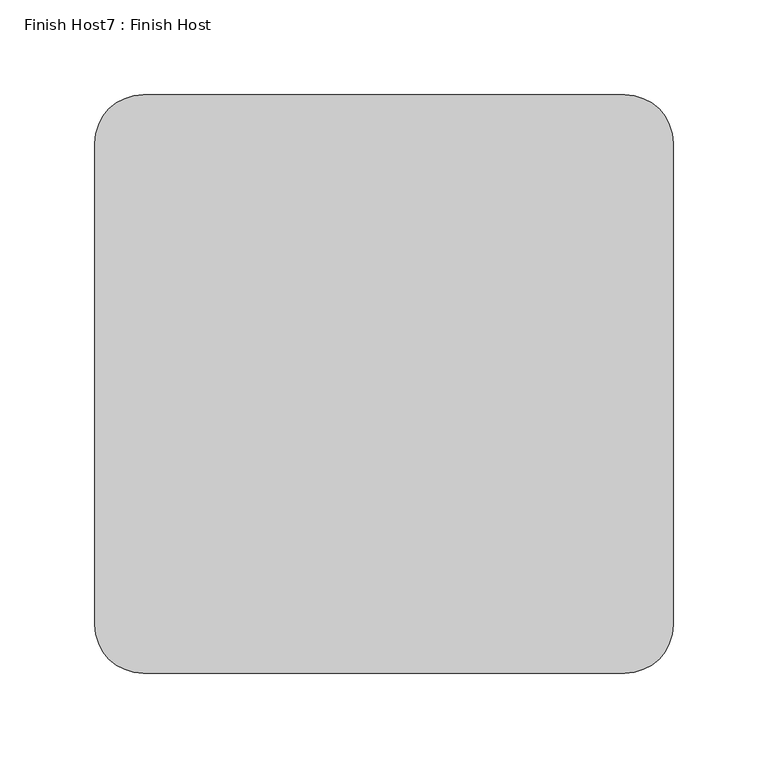
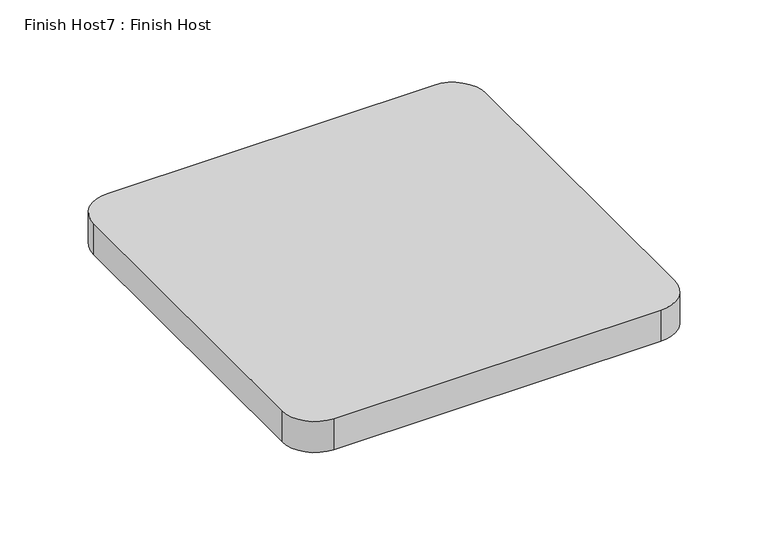
"""IFC4 building model written with IfcOpenShell, lengths in millimetres: proxy geometry, Finish Host7 : Finish Host."""

from ifc_helpers import new_model, si_unit, point, frame_2d, origin, origin_with_axes, place, context, project, spatial, polyline, circle_curve, trimmed, segment, composite_curve, outline, extrude, source, transform, mapped, element, save


def finish_host7_finish_host_0db96256(model_context):
    return source(origin(), model_context, "Body", "SweptSolid", [
        extrude(outline(composite_curve([segment(polyline([(2715.0934426, 3188.0122951), (2715.0934426, 3442.0122951)]), True, "CONTINUOUS"), segment(trimmed(circle_curve(frame_2d((2740.4934426, 3442.0122951)), 25.4), [point((2715.0934426, 3442.0122951))], [point((2740.4934426, 3467.4122951))], False, "CARTESIAN"), True, "CONTINUOUS"), segment(polyline([(2740.4934426, 3467.4122951), (2994.4934426, 3467.4122951)]), True, "CONTINUOUS"), segment(trimmed(circle_curve(frame_2d((2994.4934426, 3442.0122951)), 25.4), [point((2994.4934426, 3467.4122951))], [point((3019.8934426, 3442.0122951))], False, "CARTESIAN"), True, "CONTINUOUS"), segment(polyline([(3019.8934426, 3442.0122951), (3019.8934426, 3188.0122951)]), True, "CONTINUOUS"), segment(trimmed(circle_curve(frame_2d((2994.4934426, 3188.0122951)), 25.4), [point((3019.8934426, 3188.0122951))], [point((2994.4934426, 3162.6122951))], False, "CARTESIAN"), True, "CONTINUOUS"), segment(polyline([(2994.4934426, 3162.6122951), (2740.4934426, 3162.6122951)]), True, "CONTINUOUS"), segment(trimmed(circle_curve(frame_2d((2740.4934426, 3188.0122951)), 25.4), [point((2740.4934426, 3162.6122951))], [point((2715.0934426, 3188.0122951))], False, "CARTESIAN"), True, "CONTINUOUS")], self_intersect=False)), origin_with_axes(), (0.0, 0.0, 1.0), 25.4),
    ])


if __name__ == "__main__":
    model = new_model("IFC4")
    model_context = context("Model", 3, world=origin())
    ifc_project = project(units=[si_unit("LENGTHUNIT", "METRE", prefix="MILLI")], contexts=[model_context])
    site = spatial("IfcSite", under=ifc_project)
    building = spatial("IfcBuilding", under=site)
    placement = place(None, origin())
    finish_host7_finish_host_shape = finish_host7_finish_host_0db96256(model_context)
    element("IfcBuildingElementProxy", 1, Name="Finish Host7 : Finish Host", ObjectType="Finish Host7 : Finish Host", at=placement, inside=building, context=model_context, shape_type="MappedRepresentation", body=[
        mapped(finish_host7_finish_host_shape, transform((0.0, 0.0, 0.0), x_axis=(1.0, 0.0, 0.0), y_axis=(0.0, 1.0, 0.0), z_axis=(0.0, 0.0, 1.0))),
    ])
    save(model, "model.ifc")
